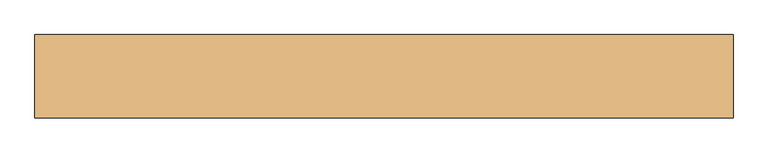
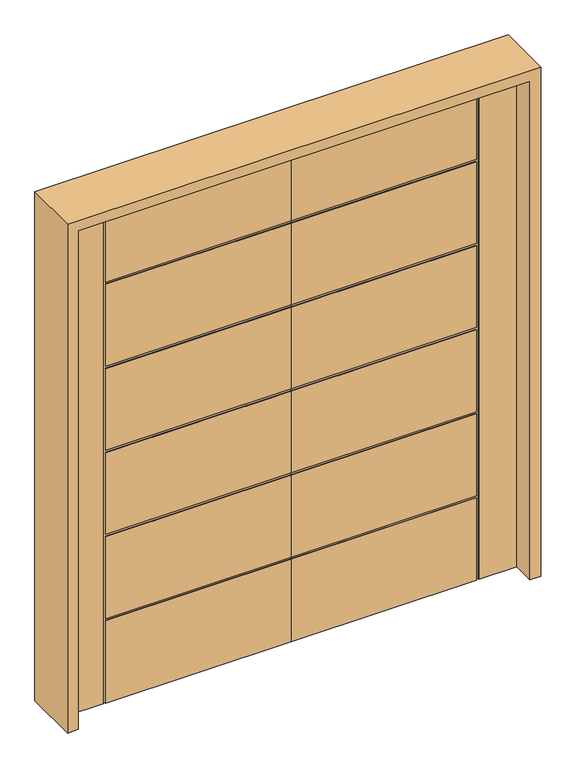
"""IFC4 building model written with IfcOpenShell, lengths in millimetres: door geometry."""

from ifc_helpers import new_model, si_unit, frame, origin, place, context, project, spatial, polyline, outline, extrude, faceted_brep, source, transform, mapped, element, save


def door_707d61ba(model_context):
    return source(origin(), model_context, "Body", "SolidModel", [
        faceted_brep([(0.0, -22.225, 0.0), (-750.824, -22.225, 0.0), (-750.824, -19.05, 0.0), (-760.73, -19.05, 0.0), (-760.73, -22.225, 0.0), (-914.4, -22.225, 0.0), (-914.4, 22.225, 0.0), (-760.73, 22.225, 0.0), (-760.73, 18.923, 0.0), (-750.824, 18.923, 0.0), (-750.824, 22.225, 0.0), (0.0, 22.225, 0.0), (0.0, -22.225, 2133.6), (0.0, -22.225, 1801.368), (0.0, -19.05, 1801.368), (0.0, -19.05, 1791.462), (0.0, -22.225, 1791.462), (0.0, -22.225, 1441.45), (0.0, -19.05, 1441.45), (0.0, -19.05, 1431.544), (0.0, -22.225, 1431.544), (0.0, -22.225, 1081.532), (0.0, -19.05, 1081.532), (0.0, -19.05, 1071.626), (0.0, -22.225, 1071.626), (0.0, -22.225, 721.614), (0.0, -19.05, 721.614), (0.0, -19.05, 711.708), (0.0, -22.225, 711.708), (0.0, -22.225, 361.696), (0.0, -19.05, 361.696), (0.0, -19.05, 351.79), (0.0, -22.225, 351.79), (0.0, 22.225, 351.79), (0.0, 18.923, 351.79), (0.0, 18.923, 361.696), (0.0, 22.225, 361.696), (0.0, 22.225, 711.708), (0.0, 18.923, 711.708), (0.0, 18.923, 721.614), (0.0, 22.225, 721.614), (0.0, 22.225, 1071.626), (0.0, 18.923, 1071.626), (0.0, 18.923, 1081.532), (0.0, 22.225, 1081.532), (0.0, 22.225, 1431.544), (0.0, 18.923, 1431.544), (0.0, 18.923, 1441.45), (0.0, 22.225, 1441.45), (0.0, 22.225, 1791.462), (0.0, 18.923, 1791.462), (0.0, 18.923, 1801.368), (0.0, 22.225, 1801.368), (0.0, 22.225, 2133.6), (-750.824, 22.225, 1801.368), (-750.824, 22.225, 2133.6), (-750.824, 22.225, 351.79), (-750.824, 22.225, 361.696), (-750.824, 22.225, 711.708), (-750.824, 22.225, 721.614), (-750.824, 22.225, 1071.626), (-750.824, 22.225, 1081.532), (-750.824, 22.225, 1431.544), (-750.824, 22.225, 1441.45), (-750.824, 22.225, 1791.462), (-914.4, 22.225, 2133.6), (-760.73, 22.225, 2133.6), (-750.824, 18.923, 351.79), (-750.824, 18.923, 361.696), (-760.73, 18.923, 2133.6), (-750.824, 18.923, 2133.6), (-750.824, 18.923, 1801.368), (-750.824, 18.923, 1791.462), (-750.824, 18.923, 1441.45), (-750.824, 18.923, 1431.544), (-750.824, 18.923, 1081.532), (-750.824, 18.923, 1071.626), (-750.824, 18.923, 721.614), (-750.824, 18.923, 711.708), (-914.4, -22.225, 2133.6), (-760.73, -22.225, 2133.6), (-750.824, -22.225, 351.79), (-750.824, -22.225, 711.708), (-750.824, -22.225, 361.696), (-750.824, -22.225, 1071.626), (-750.824, -22.225, 721.614), (-750.824, -22.225, 2133.6), (-750.824, -22.225, 1801.368), (-750.824, -22.225, 1431.544), (-750.824, -22.225, 1081.532), (-750.824, -22.225, 1791.462), (-750.824, -22.225, 1441.45), (-760.73, -19.05, 2133.6), (-750.824, -19.05, 2133.6), (-750.824, -19.05, 361.696), (-750.824, -19.05, 711.708), (-750.824, -19.05, 721.614), (-750.824, -19.05, 1071.626), (-750.824, -19.05, 1081.532), (-750.824, -19.05, 1431.544), (-750.824, -19.05, 1441.45), (-750.824, -19.05, 1791.462), (-750.824, -19.05, 1801.368), (-750.824, -19.05, 351.79)], [[[0, 1, 2, 3, 4, 5, 6, 7, 8, 9, 10, 11]], [[12, 13, 14, 15, 16, 17, 18, 19, 20, 21, 22, 23, 24, 25, 26, 27, 28, 29, 30, 31, 32, 0, 11, 33, 34, 35, 36, 37, 38, 39, 40, 41, 42, 43, 44, 45, 46, 47, 48, 49, 50, 51, 52, 53]], [[53, 52, 54, 55]], [[10, 56, 33, 11]], [[36, 57, 58, 37]], [[40, 59, 60, 41]], [[44, 61, 62, 45]], [[48, 63, 64, 49]], [[65, 66, 7, 6]], [[67, 56, 10, 9]], [[68, 35, 34, 67, 9, 8, 69, 70, 71, 51, 50, 72, 73, 47, 46, 74, 75, 43, 42, 76, 77, 39, 38, 78]], [[8, 7, 66, 69]], [[65, 6, 5, 79]], [[5, 4, 80, 79]], [[0, 32, 81, 1]], [[28, 82, 83, 29]], [[24, 84, 85, 25]], [[86, 87, 13, 12]], [[20, 88, 89, 21]], [[16, 90, 91, 17]], [[34, 33, 56, 67]], [[38, 37, 58, 78]], [[78, 58, 57, 68]], [[68, 57, 36, 35]], [[42, 41, 60, 76]], [[76, 60, 59, 77]], [[77, 59, 40, 39]], [[74, 62, 61, 75]], [[75, 61, 44, 43]], [[79, 80, 92, 93, 86, 12, 53, 55, 70, 69, 66, 65]], [[46, 45, 62, 74]], [[73, 63, 48, 47]], [[72, 64, 63, 73]], [[50, 49, 64, 72]], [[71, 54, 52, 51]], [[70, 55, 54, 71]], [[92, 80, 4, 3]], [[94, 95, 27, 26, 96, 97, 23, 22, 98, 99, 19, 18, 100, 101, 15, 14, 102, 93, 92, 3, 2, 103, 31, 30]], [[2, 1, 81, 103]], [[103, 81, 32, 31]], [[30, 29, 83, 94]], [[94, 83, 82, 95]], [[95, 82, 28, 27]], [[26, 25, 85, 96]], [[96, 85, 84, 97]], [[97, 84, 24, 23]], [[22, 21, 89, 98]], [[98, 89, 88, 99]], [[99, 88, 20, 19]], [[18, 17, 91, 100]], [[100, 91, 90, 101]], [[101, 90, 16, 15]], [[14, 13, 87, 102]], [[102, 87, 86, 93]]]),
        faceted_brep([(0.0, -22.225, 0.0), (0.0, 22.225, 0.0), (750.824, 22.225, 0.0), (750.824, 18.923, 0.0), (760.73, 18.923, 0.0), (760.73, 22.225, 0.0), (914.4, 22.225, 0.0), (914.4, -22.225, 0.0), (760.73, -22.225, 0.0), (760.73, -19.05, 0.0), (750.824, -19.05, 0.0), (750.824, -22.225, 0.0), (0.0, -22.225, 2133.6), (0.0, 22.225, 2133.6), (0.0, 22.225, 1801.368), (0.0, 18.923, 1801.368), (0.0, 18.923, 1791.462), (0.0, 22.225, 1791.462), (0.0, 22.225, 1441.45), (0.0, 18.923, 1441.45), (0.0, 18.923, 1431.544), (0.0, 22.225, 1431.544), (0.0, 22.225, 1081.532), (0.0, 18.923, 1081.532), (0.0, 18.923, 1071.626), (0.0, 22.225, 1071.626), (0.0, 22.225, 721.614), (0.0, 18.923, 721.614), (0.0, 18.923, 711.708), (0.0, 22.225, 711.708), (0.0, 22.225, 361.696), (0.0, 18.923, 361.696), (0.0, 18.923, 351.79), (0.0, 22.225, 351.79), (0.0, -22.225, 351.79), (0.0, -19.05, 351.79), (0.0, -19.05, 361.696), (0.0, -22.225, 361.696), (0.0, -22.225, 711.708), (0.0, -19.05, 711.708), (0.0, -19.05, 721.614), (0.0, -22.225, 721.614), (0.0, -22.225, 1071.626), (0.0, -19.05, 1071.626), (0.0, -19.05, 1081.532), (0.0, -22.225, 1081.532), (0.0, -22.225, 1431.544), (0.0, -19.05, 1431.544), (0.0, -19.05, 1441.45), (0.0, -22.225, 1441.45), (0.0, -22.225, 1791.462), (0.0, -19.05, 1791.462), (0.0, -19.05, 1801.368), (0.0, -22.225, 1801.368), (750.824, 22.225, 351.79), (750.824, 22.225, 1791.462), (750.824, 22.225, 1441.45), (750.824, 22.225, 1431.544), (750.824, 22.225, 1081.532), (750.824, 22.225, 1071.626), (750.824, 22.225, 721.614), (750.824, 22.225, 711.708), (750.824, 22.225, 361.696), (914.4, 22.225, 2133.6), (760.73, 22.225, 2133.6), (750.824, 22.225, 2133.6), (750.824, 22.225, 1801.368), (750.824, 18.923, 351.79), (750.824, 18.923, 361.696), (750.824, 18.923, 711.708), (750.824, 18.923, 721.614), (750.824, 18.923, 1071.626), (750.824, 18.923, 1081.532), (750.824, 18.923, 1431.544), (750.824, 18.923, 1441.45), (750.824, 18.923, 1791.462), (750.824, 18.923, 1801.368), (750.824, 18.923, 2133.6), (760.73, 18.923, 2133.6), (914.4, -22.225, 2133.6), (750.824, -22.225, 351.79), (760.73, -22.225, 2133.6), (750.824, -22.225, 361.696), (750.824, -22.225, 711.708), (750.824, -22.225, 721.614), (750.824, -22.225, 1071.626), (750.824, -22.225, 1081.532), (750.824, -22.225, 1431.544), (750.824, -22.225, 1441.45), (750.824, -22.225, 1791.462), (750.824, -22.225, 2133.6), (750.824, -22.225, 1801.368), (750.824, -19.05, 2133.6), (760.73, -19.05, 2133.6), (750.824, -19.05, 361.696), (750.824, -19.05, 351.79), (750.824, -19.05, 1801.368), (750.824, -19.05, 1791.462), (750.824, -19.05, 1441.45), (750.824, -19.05, 1431.544), (750.824, -19.05, 1081.532), (750.824, -19.05, 1071.626), (750.824, -19.05, 721.614), (750.824, -19.05, 711.708)], [[[0, 1, 2, 3, 4, 5, 6, 7, 8, 9, 10, 11]], [[12, 13, 14, 15, 16, 17, 18, 19, 20, 21, 22, 23, 24, 25, 26, 27, 28, 29, 30, 31, 32, 33, 1, 0, 34, 35, 36, 37, 38, 39, 40, 41, 42, 43, 44, 45, 46, 47, 48, 49, 50, 51, 52, 53]], [[2, 1, 33, 54]], [[18, 17, 55, 56]], [[22, 21, 57, 58]], [[26, 25, 59, 60]], [[30, 29, 61, 62]], [[63, 6, 5, 64]], [[13, 65, 66, 14]], [[67, 3, 2, 54]], [[68, 69, 28, 27, 70, 71, 24, 23, 72, 73, 20, 19, 74, 75, 16, 15, 76, 77, 78, 4, 3, 67, 32, 31]], [[4, 78, 64, 5]], [[63, 79, 7, 6]], [[0, 11, 80, 34]], [[7, 79, 81, 8]], [[38, 37, 82, 83]], [[42, 41, 84, 85]], [[46, 45, 86, 87]], [[50, 49, 88, 89]], [[90, 12, 53, 91]], [[32, 67, 54, 33]], [[28, 69, 61, 29]], [[69, 68, 62, 61]], [[68, 31, 30, 62]], [[24, 71, 59, 25]], [[71, 70, 60, 59]], [[70, 27, 26, 60]], [[73, 72, 58, 57]], [[72, 23, 22, 58]], [[79, 63, 64, 78, 77, 65, 13, 12, 90, 92, 93, 81]], [[20, 73, 57, 21]], [[74, 19, 18, 56]], [[75, 74, 56, 55]], [[16, 75, 55, 17]], [[76, 15, 14, 66]], [[77, 76, 66, 65]], [[93, 9, 8, 81]], [[94, 36, 35, 95, 10, 9, 93, 92, 96, 52, 51, 97, 98, 48, 47, 99, 100, 44, 43, 101, 102, 40, 39, 103]], [[10, 95, 80, 11]], [[95, 35, 34, 80]], [[36, 94, 82, 37]], [[94, 103, 83, 82]], [[103, 39, 38, 83]], [[40, 102, 84, 41]], [[102, 101, 85, 84]], [[101, 43, 42, 85]], [[44, 100, 86, 45]], [[100, 99, 87, 86]], [[99, 47, 46, 87]], [[48, 98, 88, 49]], [[98, 97, 89, 88]], [[97, 51, 50, 89]], [[52, 96, 91, 53]], [[96, 92, 90, 91]]]),
        extrude(outline(polyline([(0.0, -958.85), (0.0, -914.4), (2133.6, -914.4), (2133.6, 914.4), (0.0, 914.4), (0.0, 958.85), (2178.05, 958.85), (2178.05, -958.85), (0.0, -958.85)])), frame((0.0, -114.3, 0.0), z_axis=(0.0, 1.0, 0.0), x_axis=(0.0, 0.0, 1.0)), (0.0, 0.0, 1.0), 228.6),
    ])


if __name__ == "__main__":
    model = new_model("IFC4")
    model_context = context("Model", 3, world=origin())
    ifc_project = project(units=[si_unit("LENGTHUNIT", "METRE", prefix="MILLI")], contexts=[model_context])
    site = spatial("IfcSite", under=ifc_project)
    building = spatial("IfcBuilding", under=site)
    placement = place(None, origin())
    door_shape = door_707d61ba(model_context)
    element("IfcDoor", 1, at=placement, inside=building, context=model_context, shape_type="MappedRepresentation", body=[
        mapped(door_shape, transform((0.0, 0.0, 0.0), x_axis=(1.0, 0.0, 0.0), y_axis=(0.0, 1.0, 0.0), z_axis=(0.0, 0.0, 1.0))),
    ])
    save(model, "model.ifc")
